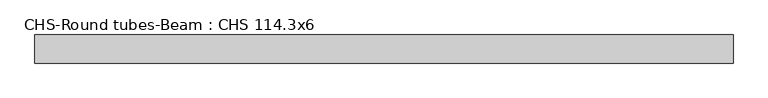
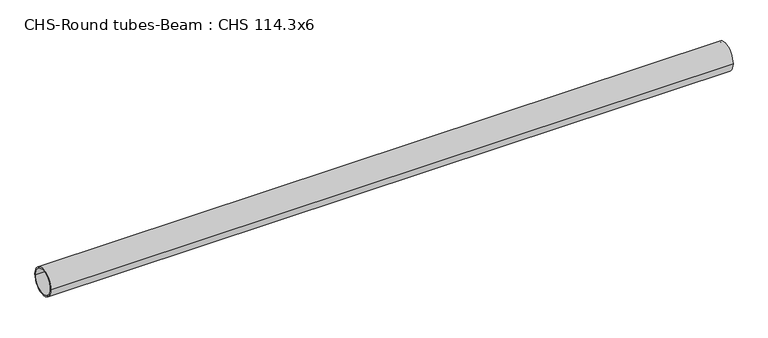
"""IFC4 building model written with IfcOpenShell, lengths in millimetres: beam geometry, CHS-Round tubes-Beam : CHS 114.3x6."""

from ifc_helpers import new_model, si_unit, point, frame, origin, origin_2d, place, context, project, spatial, circle_curve, trimmed, segment, composite_curve, outline, extrude, source, transform, mapped, element, save


def chs_round_tubes_beam_chs_114_3x6_1553c0c5(model_context):
    return source(origin(), model_context, "Body", "SweptSolid", [
        extrude(outline(composite_curve([segment(trimmed(circle_curve(origin_2d(), 57.15), [point((57.15, 0.0))], [point((-57.15, 0.0))], False, "CARTESIAN"), True, "CONTINUOUS"), segment(trimmed(circle_curve(origin_2d(), 57.15), [point((-57.15, 0.0))], [point((57.15, 0.0))], False, "CARTESIAN"), True, "CONTINUOUS")], self_intersect=False), holes=[composite_curve([segment(trimmed(circle_curve(origin_2d(), 51.15), [point((51.15, 0.0))], [point((-51.15, 0.0))], True, "CARTESIAN"), True, "CONTINUOUS"), segment(trimmed(circle_curve(origin_2d(), 51.15), [point((-51.15, 0.0))], [point((51.15, 0.0))], True, "CARTESIAN"), True, "CONTINUOUS")], self_intersect=False)]), frame((-1412.7861874, 0.0, 0.0), z_axis=(1.0, 0.0, 0.0), x_axis=(0.0, 1.0, 0.0)), (0.0, 0.0, 1.0), 2833.0586828),
    ])


if __name__ == "__main__":
    model = new_model("IFC4")
    model_context = context("Model", 3, world=origin())
    ifc_project = project(units=[si_unit("LENGTHUNIT", "METRE", prefix="MILLI")], contexts=[model_context])
    site = spatial("IfcSite", under=ifc_project)
    building = spatial("IfcBuilding", under=site)
    placement = place(None, origin())
    chs_round_tubes_beam_chs_114_3x6_shape = chs_round_tubes_beam_chs_114_3x6_1553c0c5(model_context)
    element("IfcBeam", 1, ObjectType="CHS-Round tubes-Beam : CHS 114.3x6", at=placement, inside=building, context=model_context, shape_type="MappedRepresentation", body=[
        mapped(chs_round_tubes_beam_chs_114_3x6_shape, transform((0.0, 0.0, 0.0), x_axis=(1.0, 0.0, 0.0), y_axis=(0.0, 1.0, 0.0), z_axis=(0.0, 0.0, 1.0))),
    ])
    save(model, "model.ifc")
